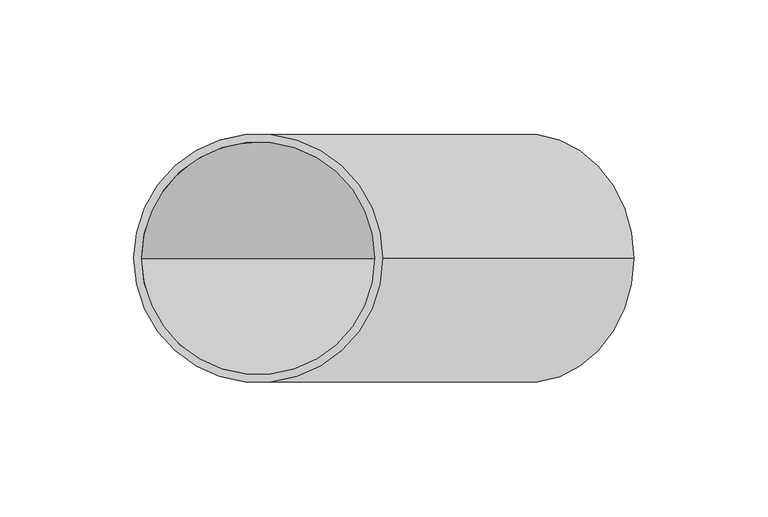
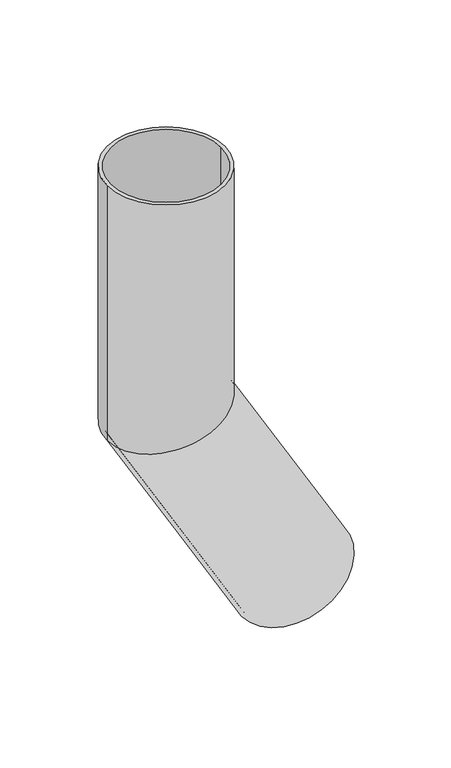
"""IFC4 building model written with IfcOpenShell, lengths in millimetres: beam geometry."""

import ifcopenshell
import ifcopenshell.guid

model = None  # the IFC model being written
_history = None  # IfcOwnerHistory: only IFC2X3 demands one
_inside = {}  # id of a spatial element -> (the spatial element, [elements in it])
_under = {}  # id of a project, library or spatial element -> (it, [spatial elements below it])
_declared = {}  # id of a project -> (the project, [libraries it declares])
_typed = {}  # id of a type object -> (the type object, [elements of that type])
_made_of = {}  # id of a material, layer set ... -> (it, [elements and type objects made of it])


def new_model(schema):
    """Start an empty IFC model of exactly this schema.

    Asked for "IFC4X3", IfcOpenShell would pick the latest addendum, in which some entities
    have other attributes; the version numbers below select the first issue.
    IFC2X3 requires an IfcOwnerHistory on every rooted entity: one is made here for all.
    """
    global model, _history
    if schema == "IFC4X3":
        model = ifcopenshell.file(schema_version=(4, 3, 0, 0))
    else:
        model = ifcopenshell.file(schema=schema)
    _inside.clear()
    _under.clear()
    _declared.clear()
    _typed.clear()
    _made_of.clear()
    _history = None
    if model.schema == "IFC2X3":
        org = make("IfcOrganization", Name="unknown")
        user = make(
            "IfcPersonAndOrganization",
            ThePerson=make("IfcPerson", FamilyName="unknown"),
            TheOrganization=org,
        )
        app = make(
            "IfcApplication",
            ApplicationDeveloper=org,
            Version="unknown",
            ApplicationFullName="unknown",
            ApplicationIdentifier="unknown",
        )
        _history = make(
            "IfcOwnerHistory",
            OwningUser=user,
            OwningApplication=app,
            ChangeAction="ADDED",
            CreationDate=0,
        )
    return model


def make(cls, **values):
    """One entity of the class cls with the attributes given. An attribute that is None is left unset."""
    return model.create_entity(
        cls, **{name: value for name, value in values.items() if value is not None}
    )


def rooted(cls, **values):
    """An entity with a GlobalId (a new one), such as an element, a storey or a relation."""
    return make(cls, GlobalId=ifcopenshell.guid.new(), OwnerHistory=_history, **values)


def si_unit(unit_type, name, prefix=None):
    """IfcSIUnit, for example si_unit("LENGTHUNIT", "METRE", prefix="MILLI")."""
    return make("IfcSIUnit", UnitType=unit_type, Prefix=prefix, Name=name)


def assignment(units):
    """IfcUnitAssignment: the units of a project."""
    return None if units is None else make("IfcUnitAssignment", Units=units)


def point(xyz):
    """IfcCartesianPoint."""
    return None if xyz is None else make("IfcCartesianPoint", Coordinates=xyz)


def direction(xyz):
    """IfcDirection."""
    return None if xyz is None else make("IfcDirection", DirectionRatios=xyz)


def frame(location, z_axis=None, x_axis=None):
    """IfcAxis2Placement3D, a coordinate frame: its origin and axes. An axis left out is left unset."""
    return make(
        "IfcAxis2Placement3D",
        Location=point(location),
        Axis=direction(z_axis),
        RefDirection=direction(x_axis),
    )


def origin():
    """The frame at (0, 0, 0) with its axes left unset."""
    return frame((0.0, 0.0, 0.0))


def place(relative_to, where):
    """IfcLocalPlacement: puts the frame where relative to a parent placement (None: the world)."""
    return make(
        "IfcLocalPlacement", PlacementRelTo=relative_to, RelativePlacement=where
    )


def context(
    kind, dimensions, precision=None, world=None, true_north=None, identifier=None
):
    """IfcGeometricRepresentationContext, for example the 3D "Model" context."""
    return make(
        "IfcGeometricRepresentationContext",
        ContextIdentifier=identifier,
        ContextType=kind,
        CoordinateSpaceDimension=dimensions,
        Precision=precision,
        WorldCoordinateSystem=world,
        TrueNorth=true_north,
    )


def project(units=None, contexts=None):
    """IfcProject with its units and contexts."""
    return rooted(
        "IfcProject",
        Name="project",
        RepresentationContexts=contexts,
        UnitsInContext=assignment(units),
    )


def spatial(cls, under=None, at=None, **own):
    """A site, building, storey or space (cls), placed at a placement, below another one or the project."""
    s = rooted(cls, ObjectPlacement=at, **own)
    if under is not None:
        _under.setdefault(under.id(), (under, []))[1].append(s)
    return s


def polyline(points):
    """IfcPolyline through the points."""
    return make("IfcPolyline", Points=[point(p) for p in points])


def circle_curve(where, radius):
    """IfcCircle in the frame where."""
    return make("IfcCircle", Position=where, Radius=radius)


def ellipse_curve(where, semi_axis1, semi_axis2):
    """IfcEllipse in the frame where."""
    return make(
        "IfcEllipse", Position=where, SemiAxis1=semi_axis1, SemiAxis2=semi_axis2
    )


def shape(context_of_items, identifier, shape_type, items):
    """IfcShapeRepresentation: the items that make up one representation, for example the "Body"."""
    return make(
        "IfcShapeRepresentation",
        ContextOfItems=context_of_items,
        RepresentationIdentifier=identifier,
        RepresentationType=shape_type,
        Items=items,
    )


def source(mapping_origin, context_of_items, identifier, shape_type, items):
    """IfcRepresentationMap: a shape defined once, which mapped items show again and again."""
    return make(
        "IfcRepresentationMap",
        MappingOrigin=mapping_origin,
        MappedRepresentation=shape(context_of_items, identifier, shape_type, items),
    )


def transform(
    local_origin,
    x_axis=None,
    y_axis=None,
    z_axis=None,
    scale=None,
    scale2=None,
    scale3=None,
    uniform=True,
):
    """IfcCartesianTransformationOperator3D, or its non-uniform kind. x_axis, y_axis, z_axis: its Axis1, 2, 3."""
    if uniform:
        return make(
            "IfcCartesianTransformationOperator3D",
            Axis1=direction(x_axis),
            Axis2=direction(y_axis),
            LocalOrigin=point(local_origin),
            Scale=scale,
            Axis3=direction(z_axis),
        )
    return make(
        "IfcCartesianTransformationOperator3DnonUniform",
        Axis1=direction(x_axis),
        Axis2=direction(y_axis),
        LocalOrigin=point(local_origin),
        Scale=scale,
        Axis3=direction(z_axis),
        Scale2=scale2,
        Scale3=scale3,
    )


def mapped(mapping_source, mapping_target):
    """IfcMappedItem: shows the shape of a source again, moved by a transform."""
    return make(
        "IfcMappedItem", MappingSource=mapping_source, MappingTarget=mapping_target
    )


def made_of(thing, what):
    """Note that an element or type object is made of a material, layer set ...; save() writes the relation."""
    if what is not None:
        _made_of.setdefault(what.id(), (what, []))[1].append(thing)
    return thing


def element(
    cls,
    number,
    at=None,
    inside=None,
    cuts=None,
    type_object=None,
    material=None,
    context=None,
    identifier="Body",
    shape_type=None,
    held_by="IfcProductDefinitionShape",
    body=None,
    shapes=None,
    **own,
):
    """One element of the class cls, such as IfcWall. Its Tag is "e" and its number.

    at: its placement. inside: the storey or other place that contains it. cuts: it is an
    opening in that element (IfcRelVoidsElement). A single representation is given by context,
    identifier, shape_type and body (its items); several are given by shapes. held_by: the class
    of the entity that holds the representations. save() writes the other relations.
    """
    e = rooted(cls, Tag="e%d" % number, ObjectPlacement=at, **own)
    if body is not None:
        shapes = [shape(context, identifier, shape_type, body)]
    if shapes is not None:
        e.Representation = make(held_by, Representations=shapes)
    if inside is not None:
        _inside.setdefault(inside.id(), (inside, []))[1].append(e)
    if cuts is not None:
        rooted(
            "IfcRelVoidsElement", RelatingBuildingElement=cuts, RelatedOpeningElement=e
        )
    if type_object is not None:
        _typed.setdefault(type_object.id(), (type_object, []))[1].append(e)
    return made_of(e, material)


def aggregate(whole, parts):
    """IfcRelAggregates: a whole, such as a stair, and the parts it consists of."""
    return rooted("IfcRelAggregates", RelatingObject=whole, RelatedObjects=parts)


def save(model, path):
    """Write the relations noted so far, then the file.

    IfcRelAggregates (storeys below a building ...), IfcRelContainedInSpatialStructure (elements
    in a storey), IfcRelDefinesByType, IfcRelAssociatesMaterial and IfcRelDeclares: one each for
    every whole, place, type object, material and project.
    """
    for whole, parts in _under.values():
        aggregate(whole, parts)
    for where, things in _inside.values():
        rooted(
            "IfcRelContainedInSpatialStructure",
            RelatedElements=things,
            RelatingStructure=where,
        )
    for kind, things in _typed.values():
        rooted("IfcRelDefinesByType", RelatedObjects=things, RelatingType=kind)
    for what, things in _made_of.values():
        rooted("IfcRelAssociatesMaterial", RelatedObjects=things, RelatingMaterial=what)
    for by, libraries in _declared.values():
        rooted("IfcRelDeclares", RelatingContext=by, RelatedDefinitions=libraries)
    model.write(path)


def plane_surface(at):
    """IfcPlane: the flat surface through the origin of the frame at, square to its z axis."""
    return make("IfcPlane", Position=at)


def cylinder_surface(at, radius):
    """IfcCylindricalSurface: all points at the distance radius from the z axis of the frame at."""
    return make("IfcCylindricalSurface", Position=at, Radius=radius)


def revolved_surface(curve, axis_point, axis_direction):
    """IfcSurfaceOfRevolution: the curve turned about the line through axis_point along axis_direction."""
    return make(
        "IfcSurfaceOfRevolution",
        SweptCurve=make("IfcArbitraryOpenProfileDef", ProfileType="CURVE", Curve=curve),
        AxisPosition=make("IfcAxis1Placement", Location=point(axis_point), Axis=direction(axis_direction)),
    )


def advanced_brep(points, edges, surfaces, faces):
    """IfcAdvancedBrep: a solid bounded by faces that lie on surfaces and meet in shared edges.

    An edge is (start, end): straight between two places in points (the first is 0);
    or (start, end, curve); or (start, end, curve, False) where it runs against its curve.
    A face is (place in surfaces, loops), or (place, loops, False) where it looks against
    its surface's normal. A loop lists edges by number (the first is 1), with a minus sign
    where the edge is run from its end to its start. The first loop is the outer one.
    """
    corners = [point(p) for p in points]
    vertices = [make("IfcVertexPoint", VertexGeometry=c) for c in corners]
    made = []
    for start, end, *more in edges:
        made.append(
            make(
                "IfcEdgeCurve",
                EdgeStart=vertices[start],
                EdgeEnd=vertices[end],
                EdgeGeometry=more[0] if more else make("IfcPolyline", Points=[corners[start], corners[end]]),
                SameSense=more[1] if len(more) > 1 else True,
            )
        )
    hull = []
    for where, loops, *sense in faces:
        bounds = []
        for j, loop in enumerate(loops):
            ring = [make("IfcOrientedEdge", EdgeElement=made[abs(k) - 1], Orientation=k > 0) for k in loop]
            bounds.append(
                make(
                    "IfcFaceOuterBound" if j == 0 else "IfcFaceBound",
                    Bound=make("IfcEdgeLoop", EdgeList=ring),
                    Orientation=True,
                )
            )
        hull.append(make("IfcAdvancedFace", Bounds=bounds, FaceSurface=surfaces[where], SameSense=sense[0] if sense else True))
    return make("IfcAdvancedBrep", Outer=make("IfcClosedShell", CfsFaces=hull))


def beam_309e3101(model_context):
    return source(origin(), model_context, "Body", "AdvancedBrep", [
        advanced_brep(
        [(140.2701813, 0.0, -349.9550808), (59.7298187, 0.0, -396.4550808), (137.6721051, 0.0, -351.4550808), (62.3278949, 0.0, -394.9550808), (46.5, 0.0, 0.0), (-46.5, 0.0, 0.0), (43.5, 0.0, 0.0), (-43.5, 0.0, 0.0), (43.5, 0.0, -188.3442101), (0.0, -43.5, -200.0), (-43.5, 0.0, -211.6557899), (0.0, 43.5, -200.0), (46.5, 0.0, -187.5403626), (-46.5, 0.0, -212.4596374)],
        [
            (0, 1, circle_curve(frame((100.0, 0.0, -373.2050808), z_axis=(0.5000000000000633, 0.0, -0.8660254037844022), x_axis=(-0.8660254037844022, 0.0, -0.5000000000000633)), 46.5)),
            (1, 0, circle_curve(frame((100.0, 0.0, -373.2050808), z_axis=(0.5000000000000633, 0.0, -0.8660254037844022), x_axis=(-0.8660254037844022, 0.0, -0.5000000000000633)), 46.5)),
            (2, 3, circle_curve(frame((100.0, 0.0, -373.2050808), z_axis=(-0.5000000000000633, 0.0, 0.8660254037844022), x_axis=(-0.8660254037844022, 0.0, -0.5000000000000633)), 43.5)),
            (3, 2, circle_curve(frame((100.0, 0.0, -373.2050808), z_axis=(-0.5000000000000633, 0.0, 0.8660254037844022), x_axis=(-0.8660254037844022, 0.0, -0.5000000000000633)), 43.5)),
            (4, 5, circle_curve(frame((0.0, 0.0, 0.0), z_axis=(0.0, 0.0, 1.0), x_axis=(-1.0, 0.0, 0.0)), 46.5)),
            (5, 4, circle_curve(frame((0.0, 0.0, 0.0), z_axis=(0.0, 0.0, 1.0), x_axis=(-1.0, 0.0, 0.0)), 46.5)),
            (6, 7, circle_curve(frame((0.0, 0.0, 0.0), z_axis=(0.0, 0.0, -1.0), x_axis=(-1.0, 0.0, 0.0)), 43.5)),
            (7, 6, circle_curve(frame((0.0, 0.0, 0.0), z_axis=(0.0, 0.0, -1.0), x_axis=(-1.0, 0.0, 0.0)), 43.5)),
            (6, 8),
            (8, 9, ellipse_curve(frame((0.0, 0.0, -200.0), z_axis=(0.25881904510255604, 0.0, -0.9659258262890589), x_axis=(0.9659258262890589, 0.0, 0.25881904510255593)), 45.0345138, 43.5)),
            (9, 10, ellipse_curve(frame((0.0, 0.0, -200.0), z_axis=(0.25881904510255604, 0.0, -0.9659258262890589), x_axis=(0.9659258262890589, 0.0, 0.25881904510255593)), 45.0345138, 43.5)),
            (10, 7),
            (10, 11, ellipse_curve(frame((0.0, 0.0, -200.0), z_axis=(0.25881904510255604, 0.0, -0.9659258262890589), x_axis=(0.9659258262890589, 0.0, 0.25881904510255593)), 45.0345138, 43.5)),
            (11, 8, ellipse_curve(frame((0.0, 0.0, -200.0), z_axis=(0.25881904510255604, 0.0, -0.9659258262890589), x_axis=(0.9659258262890589, 0.0, 0.25881904510255593)), 45.0345138, 43.5)),
            (4, 12),
            (12, 13, ellipse_curve(frame((0.0, 0.0, -200.0), z_axis=(-0.25881904510255604, 0.0, 0.9659258262890589), x_axis=(-0.9659258262890589, 0.0, -0.25881904510255593)), 48.1403424, 46.5)),
            (13, 5),
            (13, 12, ellipse_curve(frame((0.0, 0.0, -200.0), z_axis=(-0.25881904510255604, 0.0, 0.9659258262890589), x_axis=(-0.9659258262890589, 0.0, -0.25881904510255593)), 48.1403424, 46.5)),
            (2, 8),
            (10, 3),
            (0, 12),
            (13, 1),
        ],
        [
            plane_surface(frame((100.0, 0.0, -373.2050808), z_axis=(0.5000000000000633, 0.0, -0.8660254037844022), x_axis=(0.0, -1.0, 0.0))),
            plane_surface(frame((0.0, 0.0, 0.0), z_axis=(0.0, 0.0, 1.0), x_axis=(0.0, -1.0, 0.0))),
            revolved_surface(polyline([(-43.5, 0.0, 0.0), (-43.5, 0.0, -211.6557899)]), (0.0, 0.0, -200.0), (0.0, 0.0, 1.0)),
            cylinder_surface(frame((0.0, 0.0, -200.0), z_axis=(0.0, 0.0, -1.0), x_axis=(-1.0, 0.0, 0.0)), 46.5),
            revolved_surface(polyline([(-43.50000001249001, 0.0, -211.6557898922637), (62.327894944224326, 0.0, -394.95508081532415)]), (100.0, 0.0, -373.2050808), (-0.5000000000000633, 0.0, 0.8660254037844022)),
            cylinder_surface(frame((100.0, 0.0, -373.2050808), z_axis=(0.5000000000000633, 0.0, -0.8660254037844022), x_axis=(-0.8660254037844022, 0.0, -0.5000000000000633)), 46.5),
        ],
        [
            (0, [[1, 2], [3, 4]]),
            (1, [[5, 6], [7, 8]]),
            (2, [[-7, 9, 10, 11, 12]]),
            (2, [[-8, -12, 13, 14, -9]]),
            (3, [[-5, 15, 16, 17]]),
            (3, [[-6, -17, 18, -15]]),
            (4, [[-3, 19, -14, -13, 20]]),
            (4, [[-4, -20, -11, -10, -19]]),
            (5, [[-1, 21, -18, 22]]),
            (5, [[-2, -22, -16, -21]]),
        ],
    ),
    ])


if __name__ == "__main__":
    model = new_model("IFC4")
    model_context = context("Model", 3, world=origin())
    ifc_project = project(units=[si_unit("LENGTHUNIT", "METRE", prefix="MILLI")], contexts=[model_context])
    site = spatial("IfcSite", under=ifc_project)
    building = spatial("IfcBuilding", under=site)
    placement = place(None, origin())
    beam_shape = beam_309e3101(model_context)
    element("IfcBeam", 1, at=placement, inside=building, context=model_context, shape_type="MappedRepresentation", body=[
        mapped(beam_shape, transform((0.0, 0.0, 0.0), x_axis=(1.0, 0.0, 0.0), y_axis=(0.0, 1.0, 0.0), z_axis=(0.0, 0.0, 1.0))),
    ])
    save(model, "model.ifc")
